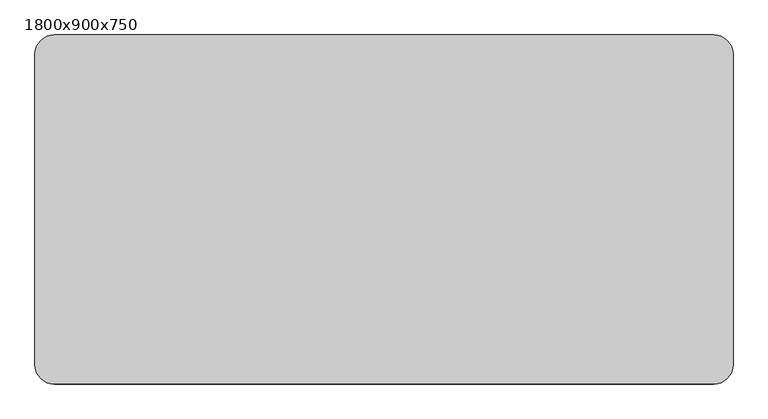
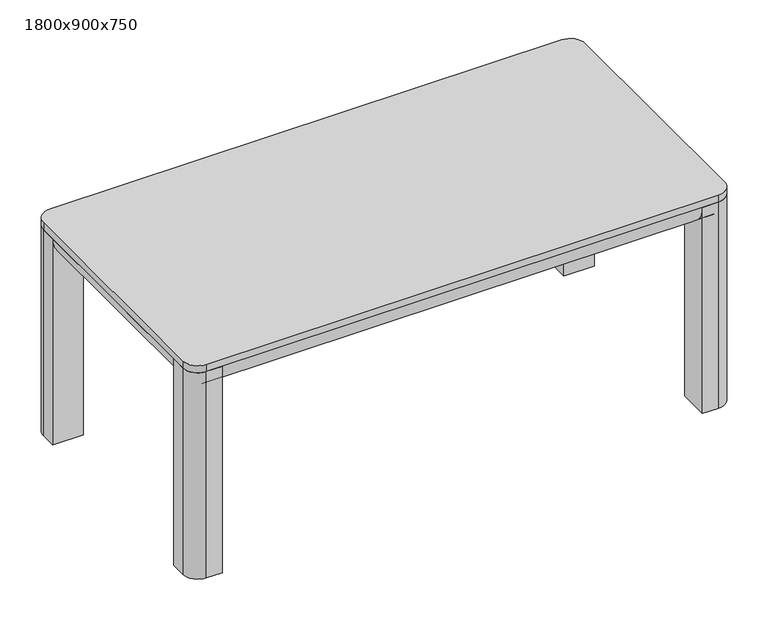
"""IFC4 building model written with IfcOpenShell, lengths in millimetres: furniture geometry, 1800x900x750."""

from ifc_helpers import new_model, si_unit, point, frame, frame_2d, origin, origin_with_axes, place, context, project, spatial, polyline, circle_curve, trimmed, segment, composite_curve, outline, extrude, source, transform, mapped, element, save


def furniture_1800x900x750_eeadc466(model_context):
    return source(origin(), model_context, "Body", "SweptSolid", [
        extrude(outline(composite_curve([segment(polyline([(0.0, -850.0), (0.0, -798.0), (102.0, -798.0), (102.0, -900.0), (50.0, -900.0)]), True, "CONTINUOUS"), segment(trimmed(circle_curve(frame_2d((50.0, -850.0)), 50.0), [point((50.0, -900.0))], [point((0.0, -850.0))], False, "CARTESIAN"), True, "CONTINUOUS")], self_intersect=False)), origin_with_axes(), (0.0, 0.0, 1.0), 725.0),
        extrude(outline(composite_curve([segment(trimmed(circle_curve(frame_2d((1750.0, -850.0)), 50.0), [point((1800.0, -850.0))], [point((1750.0, -900.0))], False, "CARTESIAN"), True, "CONTINUOUS"), segment(polyline([(1750.0, -900.0), (1698.0, -900.0), (1698.0, -798.0), (1800.0, -798.0), (1800.0, -850.0)]), True, "CONTINUOUS")], self_intersect=False)), origin_with_axes(), (0.0, 0.0, 1.0), 725.0),
        extrude(outline(composite_curve([segment(polyline([(1800.0, -50.0), (1800.0, -102.0), (1698.0, -102.0), (1698.0, 0.0), (1750.0, 0.0)]), True, "CONTINUOUS"), segment(trimmed(circle_curve(frame_2d((1750.0, -50.0)), 50.0), [point((1750.0, 0.0))], [point((1800.0, -50.0))], False, "CARTESIAN"), True, "CONTINUOUS")], self_intersect=False)), origin_with_axes(), (0.0, 0.0, 1.0), 725.0),
        extrude(outline(composite_curve([segment(trimmed(circle_curve(frame_2d((50.0, -50.0)), 50.0), [point((0.0, -50.0))], [point((50.0, 0.0))], False, "CARTESIAN"), True, "CONTINUOUS"), segment(polyline([(50.0, 0.0), (102.0, 0.0), (102.0, -102.0), (0.0, -102.0), (0.0, -50.0)]), True, "CONTINUOUS")], self_intersect=False)), origin_with_axes(), (0.0, 0.0, 1.0), 725.0),
        extrude(outline(composite_curve([segment(polyline([(725.0, 102.0), (725.0, 0.0)]), True, "CONTINUOUS"), segment(trimmed(circle_curve(frame_2d((725.0, 80.0)), 80.0), [point((725.0, 0.0))], [point((645.0, 80.0))], False, "CARTESIAN"), True, "CONTINUOUS"), segment(polyline([(645.0, 80.0), (645.0, 102.0), (725.0, 102.0)]), True, "CONTINUOUS")], self_intersect=False)), frame((0.0, -850.0, 0.0), z_axis=(0.0, 1.0, 0.0), x_axis=(0.0, 0.0, 1.0)), (0.0, 0.0, 1.0), 800.0),
        extrude(outline(composite_curve([segment(polyline([(725.0, 1698.0), (645.0, 1698.0), (645.0, 1720.0)]), True, "CONTINUOUS"), segment(trimmed(circle_curve(frame_2d((725.0, 1720.0)), 80.0), [point((645.0, 1720.0))], [point((725.0, 1800.0))], False, "CARTESIAN"), True, "CONTINUOUS"), segment(polyline([(725.0, 1800.0), (725.0, 1698.0)]), True, "CONTINUOUS")], self_intersect=False)), frame((0.0, -850.0, 0.0), z_axis=(0.0, 1.0, 0.0), x_axis=(0.0, 0.0, 1.0)), (0.0, 0.0, 1.0), 800.0),
        extrude(outline(composite_curve([segment(polyline([(-798.0, 725.0), (-798.0, 645.0), (-820.0, 645.0)]), True, "CONTINUOUS"), segment(trimmed(circle_curve(frame_2d((-820.0, 725.0)), 80.0), [point((-820.0, 645.0))], [point((-900.0, 725.0))], False, "CARTESIAN"), True, "CONTINUOUS"), segment(polyline([(-900.0, 725.0), (-798.0, 725.0)]), True, "CONTINUOUS")], self_intersect=False)), frame((50.0, 0.0, 0.0), z_axis=(1.0, 0.0, 0.0), x_axis=(0.0, 1.0, 0.0)), (0.0, 0.0, 1.0), 1700.0),
        extrude(outline(composite_curve([segment(polyline([(-102.0, 725.0), (0.0, 725.0)]), True, "CONTINUOUS"), segment(trimmed(circle_curve(frame_2d((-80.0, 725.0)), 80.0), [point((0.0, 725.0))], [point((-80.0, 645.0))], False, "CARTESIAN"), True, "CONTINUOUS"), segment(polyline([(-80.0, 645.0), (-102.0, 645.0), (-102.0, 725.0)]), True, "CONTINUOUS")], self_intersect=False)), frame((50.0, 0.0, 0.0), z_axis=(1.0, 0.0, 0.0), x_axis=(0.0, 1.0, 0.0)), (0.0, 0.0, 1.0), 1700.0),
        extrude(outline(composite_curve([segment(trimmed(circle_curve(frame_2d((1750.0, -50.0)), 50.0), [point((1750.0, 0.0))], [point((1800.0, -50.0))], False, "CARTESIAN"), True, "CONTINUOUS"), segment(polyline([(1800.0, -50.0), (1800.0, -850.0)]), True, "CONTINUOUS"), segment(trimmed(circle_curve(frame_2d((1750.0, -850.0)), 50.0), [point((1800.0, -850.0))], [point((1750.0, -900.0))], False, "CARTESIAN"), True, "CONTINUOUS"), segment(polyline([(1750.0, -900.0), (50.0, -900.0)]), True, "CONTINUOUS"), segment(trimmed(circle_curve(frame_2d((50.0, -850.0)), 50.0), [point((50.0, -900.0))], [point((0.0, -850.0))], False, "CARTESIAN"), True, "CONTINUOUS"), segment(polyline([(0.0, -850.0), (0.0, -50.0)]), True, "CONTINUOUS"), segment(trimmed(circle_curve(frame_2d((50.0, -50.0)), 50.0), [point((0.0, -50.0))], [point((50.0, 0.0))], False, "CARTESIAN"), True, "CONTINUOUS"), segment(polyline([(50.0, 0.0), (1750.0, 0.0)]), True, "CONTINUOUS")], self_intersect=False)), frame((0.0, 0.0, 725.0), z_axis=(0.0, 0.0, 1.0), x_axis=(1.0, 0.0, 0.0)), (0.0, 0.0, 1.0), 25.0),
    ])


if __name__ == "__main__":
    model = new_model("IFC4")
    model_context = context("Model", 3, world=origin())
    ifc_project = project(units=[si_unit("LENGTHUNIT", "METRE", prefix="MILLI")], contexts=[model_context])
    site = spatial("IfcSite", under=ifc_project)
    building = spatial("IfcBuilding", under=site)
    placement = place(None, origin())
    furniture_1800x900x750_shape = furniture_1800x900x750_eeadc466(model_context)
    element("IfcFurniture", 1, ObjectType="1800x900x750", at=placement, inside=building, context=model_context, shape_type="MappedRepresentation", body=[
        mapped(furniture_1800x900x750_shape, transform((0.0, 0.0, 0.0), x_axis=(1.0, 0.0, 0.0), y_axis=(0.0, 1.0, 0.0), z_axis=(0.0, 0.0, 1.0))),
    ])
    save(model, "model.ifc")
